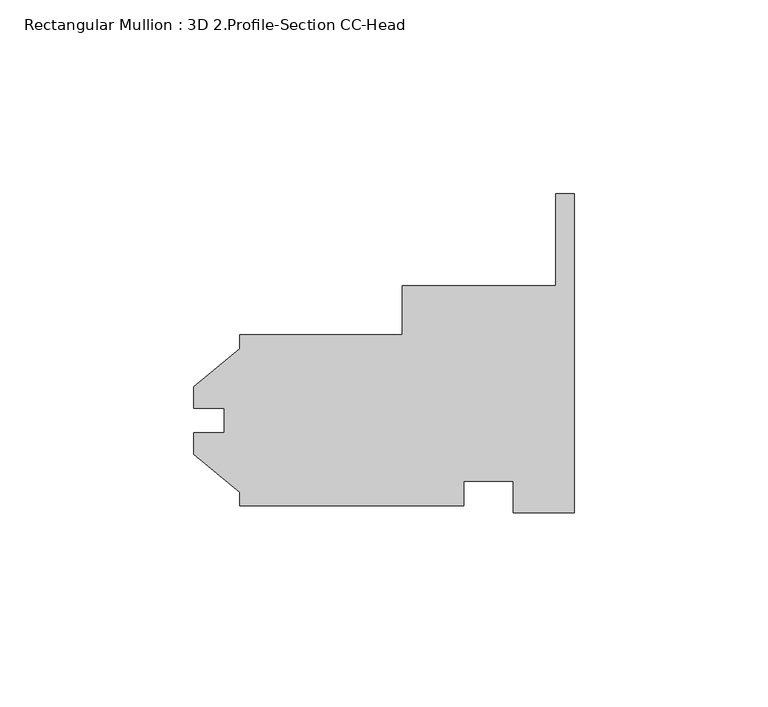
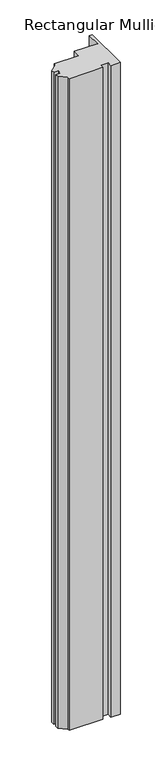
"""IFC4 building model written with IfcOpenShell, lengths in millimetres: member geometry, Rectangular Mullion : 3D 2.Profile-Section CC-Head."""

from ifc_helpers import new_model, si_unit, frame, origin, place, context, project, spatial, polyline, outline, extrude, source, transform, mapped, element, save


def rectangular_mullion_3d_2_profile_section_cc_head_b90ed113(model_context):
    return source(origin(), model_context, "Body", "SweptSolid", [
        extrude(outline(polyline([(0.0, 58.6007021), (0.0, -23.8349979), (-15.875, -23.8349979), (-15.875, -15.7069979), (-28.575, -15.7069979), (-28.575, -22.1204979), (-86.5124, -22.1204979), (-86.5124, -18.5413339), (-98.41865, -8.7727979), (-98.41865, -3.1974979), (-90.4748, -3.1974979), (-90.4748, 3.1525021), (-98.41865, 3.1525021), (-98.41865, 8.7278021), (-86.5124, 18.4963381), (-86.5124, 22.0755021), (-44.45, 22.0755021), (-44.45, 34.7755021), (-4.7752, 34.7755021), (-4.7752, 58.6007021), (0.0, 58.6007021)])), frame((0.0, 0.0, -1182.0921875), z_axis=(0.0, 0.0, 1.0), x_axis=(1.0, 0.0, 0.0)), (0.0, 0.0, 1.0), 1182.0921875),
    ])


if __name__ == "__main__":
    model = new_model("IFC4")
    model_context = context("Model", 3, world=origin())
    ifc_project = project(units=[si_unit("LENGTHUNIT", "METRE", prefix="MILLI")], contexts=[model_context])
    site = spatial("IfcSite", under=ifc_project)
    building = spatial("IfcBuilding", under=site)
    placement = place(None, origin())
    rectangular_mullion_3d_2_profile_section_cc_head_shape = rectangular_mullion_3d_2_profile_section_cc_head_b90ed113(model_context)
    element("IfcMember", 1, ObjectType="Rectangular Mullion : 3D 2.Profile-Section CC-Head", at=placement, inside=building, context=model_context, shape_type="MappedRepresentation", body=[
        mapped(rectangular_mullion_3d_2_profile_section_cc_head_shape, transform((0.0, 0.0, 0.0), x_axis=(1.0, 0.0, 0.0), y_axis=(0.0, 1.0, 0.0), z_axis=(0.0, 0.0, 1.0))),
    ])
    save(model, "model.ifc")
